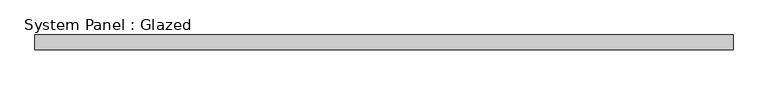
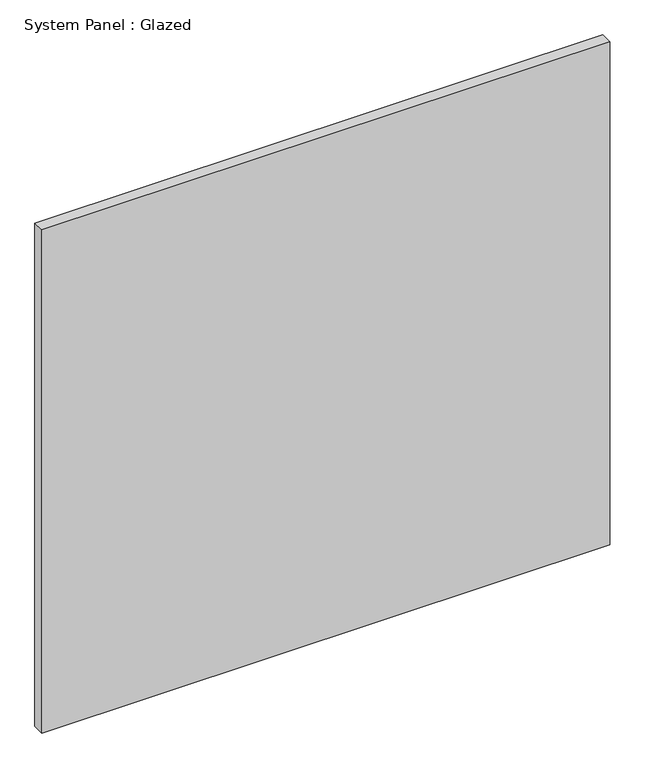
"""IFC4 building model written with IfcOpenShell, lengths in millimetres: plate geometry, System Panel : Glazed."""

from ifc_helpers import new_model, si_unit, origin, origin_with_axes, place, context, project, spatial, polyline, outline, extrude, source, transform, mapped, element, save


def system_panel_glazed_4b9af1ea(model_context):
    return source(origin(), model_context, "Body", "SweptSolid", [
        extrude(outline(polyline([(600.075, 19.05), (-600.075, 19.05), (-600.075, 44.45), (600.075, 44.45), (600.075, 19.05)])), origin_with_axes(), (0.0, 0.0, 1.0), 1123.95),
    ])


if __name__ == "__main__":
    model = new_model("IFC4")
    model_context = context("Model", 3, world=origin())
    ifc_project = project(units=[si_unit("LENGTHUNIT", "METRE", prefix="MILLI")], contexts=[model_context])
    site = spatial("IfcSite", under=ifc_project)
    building = spatial("IfcBuilding", under=site)
    placement = place(None, origin())
    system_panel_glazed_shape = system_panel_glazed_4b9af1ea(model_context)
    element("IfcPlate", 1, ObjectType="System Panel : Glazed", at=placement, inside=building, context=model_context, shape_type="MappedRepresentation", body=[
        mapped(system_panel_glazed_shape, transform((0.0, 0.0, 0.0), x_axis=(1.0, 0.0, 0.0), y_axis=(0.0, 1.0, 0.0), z_axis=(0.0, 0.0, 1.0))),
    ])
    save(model, "model.ifc")
